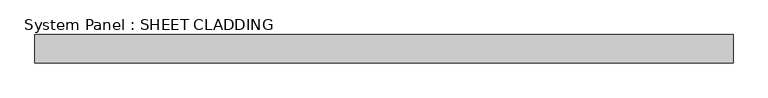
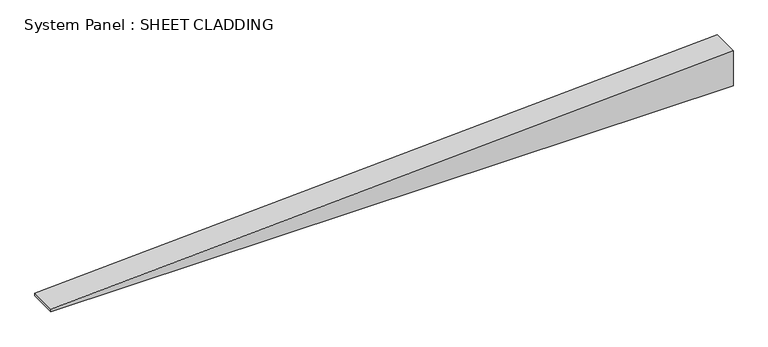
"""IFC4 building model written with IfcOpenShell, lengths in millimetres: plate geometry, System Panel : SHEET CLADDING."""

from ifc_helpers import new_model, si_unit, frame, origin, place, context, project, spatial, polyline, outline, extrude, source, transform, mapped, element, save


def system_panel_sheet_cladding_e57d8e85(model_context):
    return source(origin(), model_context, "Body", "SweptSolid", [
        extrude(outline(polyline([(0.0, -735.4591837), (0.0, 735.4591837), (79.5642857, 735.4591837), (6.0183673, -735.4591837), (0.0, -735.4591837)])), frame((0.0, -10.5, 0.0), z_axis=(0.0, 1.0, 0.0), x_axis=(0.0, 0.0, 1.0)), (0.0, 0.0, 1.0), 60.0),
    ])


if __name__ == "__main__":
    model = new_model("IFC4")
    model_context = context("Model", 3, world=origin())
    ifc_project = project(units=[si_unit("LENGTHUNIT", "METRE", prefix="MILLI")], contexts=[model_context])
    site = spatial("IfcSite", under=ifc_project)
    building = spatial("IfcBuilding", under=site)
    placement = place(None, origin())
    system_panel_sheet_cladding_shape = system_panel_sheet_cladding_e57d8e85(model_context)
    element("IfcPlate", 1, ObjectType="System Panel : SHEET CLADDING", at=placement, inside=building, context=model_context, shape_type="MappedRepresentation", body=[
        mapped(system_panel_sheet_cladding_shape, transform((0.0, 0.0, 0.0), x_axis=(1.0, 0.0, 0.0), y_axis=(0.0, 1.0, 0.0), z_axis=(0.0, 0.0, 1.0))),
    ])
    save(model, "model.ifc")
